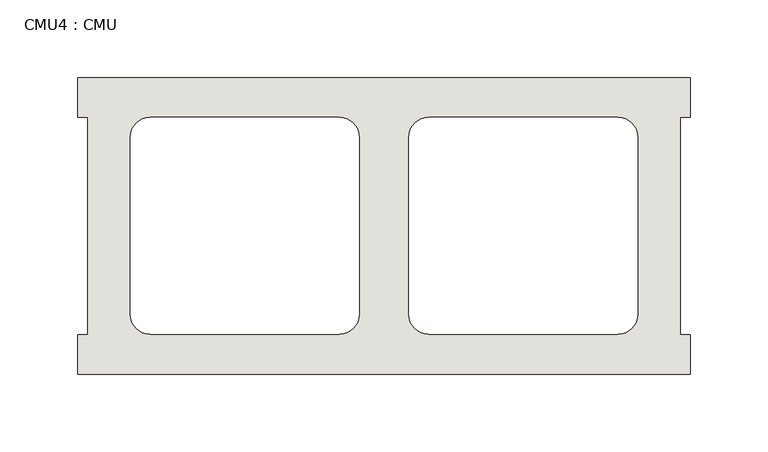
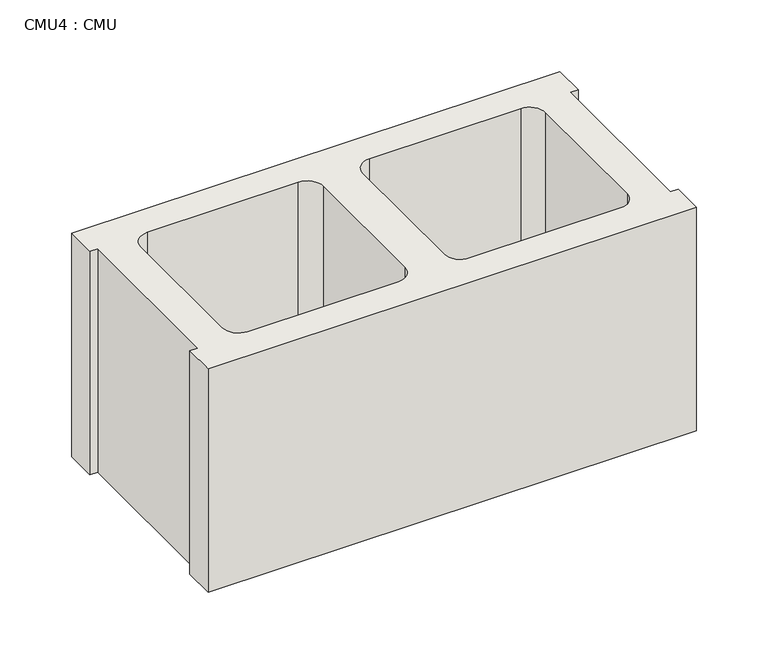
"""IFC4 building model written with IfcOpenShell, lengths in millimetres: wall geometry, CMU4 : CMU."""

from ifc_helpers import new_model, si_unit, point, frame_2d, origin, origin_with_axes, place, context, project, spatial, polyline, circle_curve, trimmed, segment, composite_curve, outline, extrude, source, transform, mapped, element, save


def cmu4_cmu_2277fce1(model_context):
    return source(origin(), model_context, "Body", "SweptSolid", [
        extrude(outline(polyline([(-397.3785982, 3347.4652891), (-3.6785982, 3347.4652891), (-3.6785982, 3322.0652891), (-10.0285982, 3322.0652891), (-10.0285982, 3182.3652891), (-3.6785982, 3182.3652891), (-3.6785982, 3156.9652891), (-397.3785982, 3156.9652891), (-397.3785982, 3182.3652891), (-391.0285982, 3182.3652891), (-391.0285982, 3322.0652891), (-397.3785982, 3322.0652891), (-397.3785982, 3347.4652891)]), holes=[composite_curve([segment(polyline([(-229.2105995, 3322.0652891), (-350.9272496, 3322.0652891)]), True, "CONTINUOUS"), segment(trimmed(circle_curve(frame_2d((-350.9272496, 3309.3652891)), 12.7), [point((-350.9272496, 3322.0652891))], [point((-363.6272496, 3309.3652891))], True, "CARTESIAN"), True, "CONTINUOUS"), segment(polyline([(-363.6272496, 3309.3652891), (-363.6272496, 3195.2994494)]), True, "CONTINUOUS"), segment(trimmed(circle_curve(frame_2d((-350.9272496, 3195.2994494)), 12.7), [point((-363.6272496, 3195.2994494))], [point((-350.9272496, 3182.5994494))], True, "CARTESIAN"), True, "CONTINUOUS"), segment(polyline([(-350.9272496, 3182.5994494), (-229.2105995, 3182.5994494)]), True, "CONTINUOUS"), segment(trimmed(circle_curve(frame_2d((-229.2105995, 3195.2994494)), 12.7), [point((-229.2105995, 3182.5994494))], [point((-216.5105995, 3195.2994494))], True, "CARTESIAN"), True, "CONTINUOUS"), segment(polyline([(-216.5105995, 3195.2994494), (-216.5105995, 3309.3652891)]), True, "CONTINUOUS"), segment(trimmed(circle_curve(frame_2d((-229.2105995, 3309.3652891)), 12.7), [point((-216.5105995, 3309.3652891))], [point((-229.2105995, 3322.0652891))], True, "CARTESIAN"), True, "CONTINUOUS")], self_intersect=False), composite_curve([segment(trimmed(circle_curve(frame_2d((-171.8465969, 3309.3652891)), 12.7), [point((-171.8465969, 3322.0652891))], [point((-184.5465969, 3309.3652891))], True, "CARTESIAN"), True, "CONTINUOUS"), segment(polyline([(-184.5465969, 3309.3652891), (-184.5465969, 3195.2994494)]), True, "CONTINUOUS"), segment(trimmed(circle_curve(frame_2d((-171.8465969, 3195.2994494)), 12.7), [point((-184.5465969, 3195.2994494))], [point((-171.8465969, 3182.5994494))], True, "CARTESIAN"), True, "CONTINUOUS"), segment(polyline([(-171.8465969, 3182.5994494), (-50.1299468, 3182.5994494)]), True, "CONTINUOUS"), segment(trimmed(circle_curve(frame_2d((-50.1299468, 3195.2994494)), 12.7), [point((-50.1299468, 3182.5994494))], [point((-37.4299468, 3195.2994494))], True, "CARTESIAN"), True, "CONTINUOUS"), segment(polyline([(-37.4299468, 3195.2994494), (-37.4299468, 3309.3652891)]), True, "CONTINUOUS"), segment(trimmed(circle_curve(frame_2d((-50.1299468, 3309.3652891)), 12.7), [point((-37.4299468, 3309.3652891))], [point((-50.1299468, 3322.0652891))], True, "CARTESIAN"), True, "CONTINUOUS"), segment(polyline([(-50.1299468, 3322.0652891), (-171.8465969, 3322.0652891)]), True, "CONTINUOUS")], self_intersect=False)]), origin_with_axes(), (0.0, 0.0, 1.0), 190.5),
    ])


if __name__ == "__main__":
    model = new_model("IFC4")
    model_context = context("Model", 3, world=origin())
    ifc_project = project(units=[si_unit("LENGTHUNIT", "METRE", prefix="MILLI")], contexts=[model_context])
    site = spatial("IfcSite", under=ifc_project)
    building = spatial("IfcBuilding", under=site)
    placement = place(None, origin())
    cmu4_cmu_shape = cmu4_cmu_2277fce1(model_context)
    element("IfcWall", 1, ObjectType="CMU4 : CMU", at=placement, inside=building, context=model_context, shape_type="MappedRepresentation", body=[
        mapped(cmu4_cmu_shape, transform((0.0, 0.0, 0.0), x_axis=(1.0, 0.0, 0.0), y_axis=(0.0, 1.0, 0.0), z_axis=(0.0, 0.0, 1.0))),
    ])
    save(model, "model.ifc")
